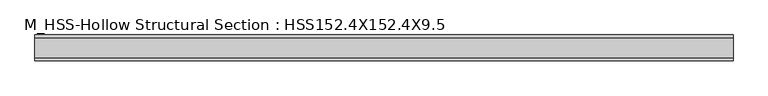
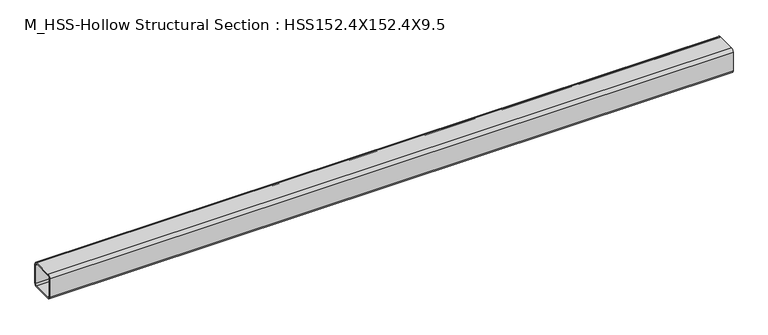
"""IFC4 building model written with IfcOpenShell, lengths in millimetres: member geometry, M_HSS-Hollow Structural Section : HSS152.4X152.4X9.5."""

from ifc_helpers import new_model, si_unit, point, frame, frame_2d, origin, place, context, project, spatial, polyline, circle_curve, trimmed, segment, composite_curve, outline, extrude, source, transform, mapped, element, save


def m_hss_hollow_structural_section_hss152_4x152_4x9_5_db622257(model_context):
    return source(origin(), model_context, "Body", "SweptSolid", [
        extrude(outline(composite_curve([segment(polyline([(76.0, 58.2), (76.0, -58.2)]), True, "CONTINUOUS"), segment(trimmed(circle_curve(frame_2d((58.2, -58.2)), 17.8), [point((76.0, -58.2))], [point((58.2, -76.0))], False, "CARTESIAN"), True, "CONTINUOUS"), segment(polyline([(58.2, -76.0), (-58.2, -76.0)]), True, "CONTINUOUS"), segment(trimmed(circle_curve(frame_2d((-58.2, -58.2)), 17.8), [point((-58.2, -76.0))], [point((-76.0, -58.2))], False, "CARTESIAN"), True, "CONTINUOUS"), segment(polyline([(-76.0, -58.2), (-76.0, 58.2)]), True, "CONTINUOUS"), segment(trimmed(circle_curve(frame_2d((-58.2, 58.2)), 17.8), [point((-76.0, 58.2))], [point((-58.2, 76.0))], False, "CARTESIAN"), True, "CONTINUOUS"), segment(polyline([(-58.2, 76.0), (58.2, 76.0)]), True, "CONTINUOUS"), segment(trimmed(circle_curve(frame_2d((58.2, 58.2)), 17.8), [point((58.2, 76.0))], [point((76.0, 58.2))], False, "CARTESIAN"), True, "CONTINUOUS")], self_intersect=False), holes=[composite_curve([segment(trimmed(circle_curve(frame_2d((-58.2, 58.2)), 8.9), [point((-58.2, 67.1))], [point((-67.1, 58.2))], True, "CARTESIAN"), True, "CONTINUOUS"), segment(polyline([(-67.1, 58.2), (-67.1, -58.2)]), True, "CONTINUOUS"), segment(trimmed(circle_curve(frame_2d((-58.2, -58.2)), 8.9), [point((-67.1, -58.2))], [point((-58.2, -67.1))], True, "CARTESIAN"), True, "CONTINUOUS"), segment(polyline([(-58.2, -67.1), (58.2, -67.1)]), True, "CONTINUOUS"), segment(trimmed(circle_curve(frame_2d((58.2, -58.2)), 8.9), [point((58.2, -67.1))], [point((67.1, -58.2))], True, "CARTESIAN"), True, "CONTINUOUS"), segment(polyline([(67.1, -58.2), (67.1, 58.2)]), True, "CONTINUOUS"), segment(trimmed(circle_curve(frame_2d((58.2, 58.2)), 8.9), [point((67.1, 58.2))], [point((58.2, 67.1))], True, "CARTESIAN"), True, "CONTINUOUS"), segment(polyline([(58.2, 67.1), (-58.2, 67.1)]), True, "CONTINUOUS")], self_intersect=False)]), frame((-2096.8863402, 0.0, 0.0), z_axis=(1.0, 0.0, 0.0), x_axis=(0.0, 1.0, 0.0)), (0.0, 0.0, 1.0), 4071.4461635),
    ])


if __name__ == "__main__":
    model = new_model("IFC4")
    model_context = context("Model", 3, world=origin())
    ifc_project = project(units=[si_unit("LENGTHUNIT", "METRE", prefix="MILLI")], contexts=[model_context])
    site = spatial("IfcSite", under=ifc_project)
    building = spatial("IfcBuilding", under=site)
    placement = place(None, origin())
    m_hss_hollow_structural_section_hss152_4x152_4x9_5_shape = m_hss_hollow_structural_section_hss152_4x152_4x9_5_db622257(model_context)
    element("IfcMember", 1, ObjectType="M_HSS-Hollow Structural Section : HSS152.4X152.4X9.5", at=placement, inside=building, context=model_context, shape_type="MappedRepresentation", body=[
        mapped(m_hss_hollow_structural_section_hss152_4x152_4x9_5_shape, transform((0.0, 0.0, 0.0), x_axis=(1.0, 0.0, 0.0), y_axis=(0.0, 1.0, 0.0), z_axis=(0.0, 0.0, 1.0))),
    ])
    save(model, "model.ifc")
